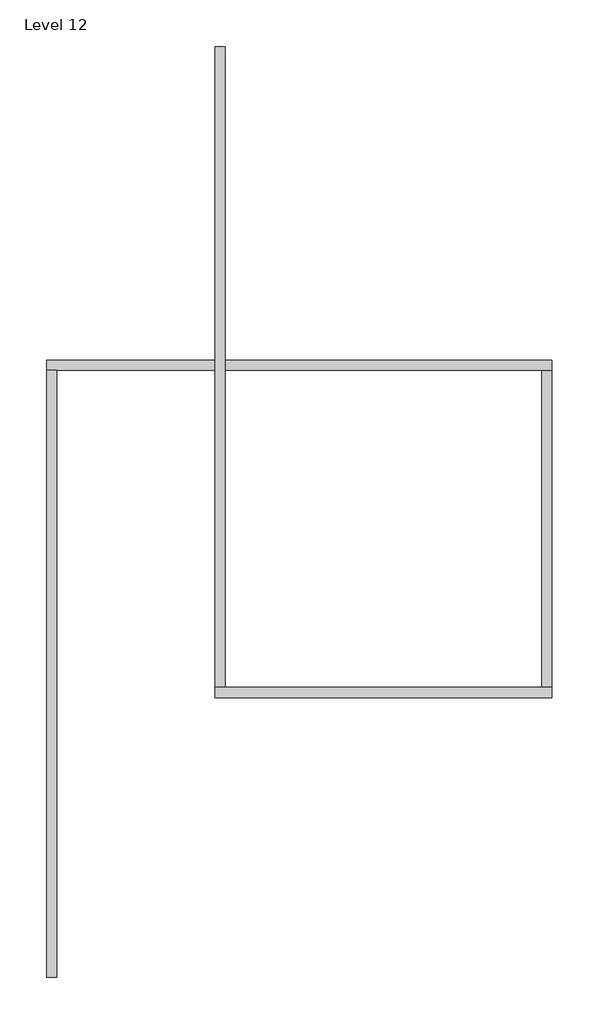
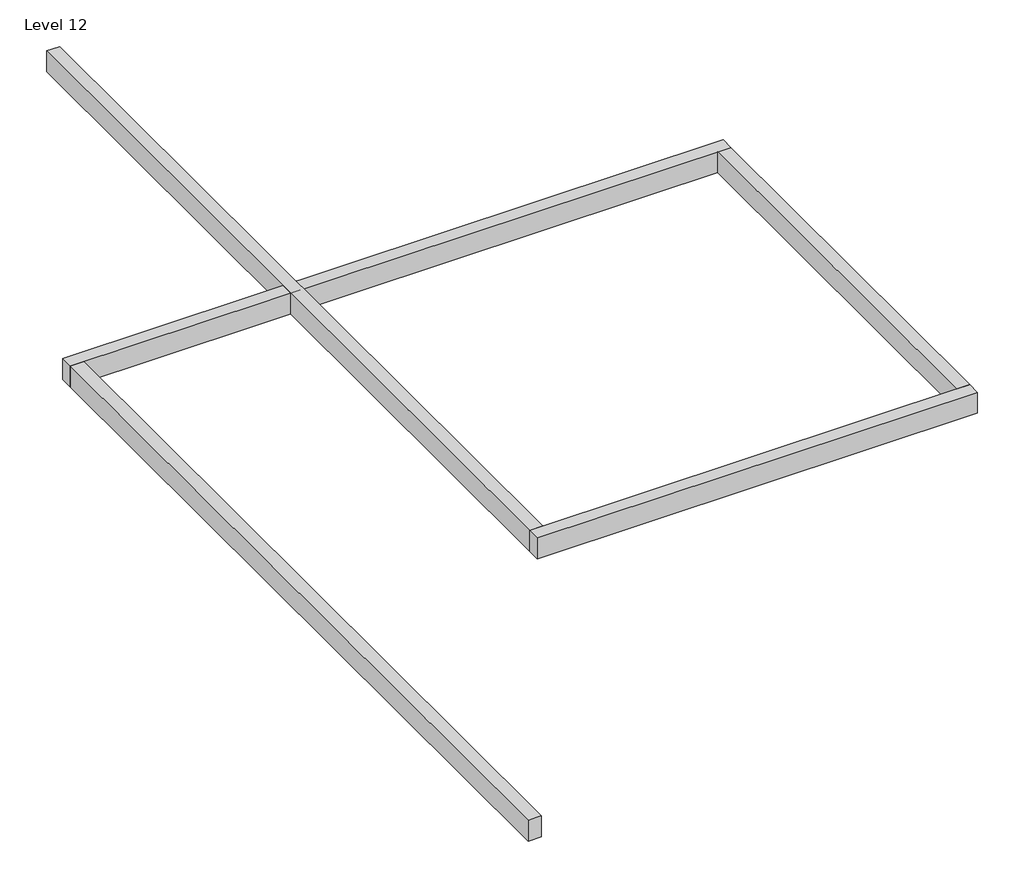
# One storey: 5 proxies.
"""IFC4 building model written with IfcOpenShell, lengths in millimetres."""

import ifcopenshell
import ifcopenshell.guid

model = None  # the IFC model being written
_history = None  # IfcOwnerHistory: only IFC2X3 demands one
_inside = {}  # id of a spatial element -> (the spatial element, [elements in it])
_under = {}  # id of a project, library or spatial element -> (it, [spatial elements below it])
_declared = {}  # id of a project -> (the project, [libraries it declares])
_typed = {}  # id of a type object -> (the type object, [elements of that type])
_made_of = {}  # id of a material, layer set ... -> (it, [elements and type objects made of it])


def new_model(schema):
    """Start an empty IFC model of exactly this schema.

    Asked for "IFC4X3", IfcOpenShell would pick the latest addendum, in which some entities
    have other attributes; the version numbers below select the first issue.
    IFC2X3 requires an IfcOwnerHistory on every rooted entity: one is made here for all.
    """
    global model, _history
    if schema == "IFC4X3":
        model = ifcopenshell.file(schema_version=(4, 3, 0, 0))
    else:
        model = ifcopenshell.file(schema=schema)
    _inside.clear()
    _under.clear()
    _declared.clear()
    _typed.clear()
    _made_of.clear()
    _history = None
    if model.schema == "IFC2X3":
        org = make("IfcOrganization", Name="unknown")
        user = make(
            "IfcPersonAndOrganization",
            ThePerson=make("IfcPerson", FamilyName="unknown"),
            TheOrganization=org,
        )
        app = make(
            "IfcApplication",
            ApplicationDeveloper=org,
            Version="unknown",
            ApplicationFullName="unknown",
            ApplicationIdentifier="unknown",
        )
        _history = make(
            "IfcOwnerHistory",
            OwningUser=user,
            OwningApplication=app,
            ChangeAction="ADDED",
            CreationDate=0,
        )
    return model


def make(cls, **values):
    """One entity of the class cls with the attributes given. An attribute that is None is left unset."""
    return model.create_entity(
        cls, **{name: value for name, value in values.items() if value is not None}
    )


def rooted(cls, **values):
    """An entity with a GlobalId (a new one), such as an element, a storey or a relation."""
    return make(cls, GlobalId=ifcopenshell.guid.new(), OwnerHistory=_history, **values)


def si_unit(unit_type, name, prefix=None):
    """IfcSIUnit, for example si_unit("LENGTHUNIT", "METRE", prefix="MILLI")."""
    return make("IfcSIUnit", UnitType=unit_type, Prefix=prefix, Name=name)


def assignment(units):
    """IfcUnitAssignment: the units of a project."""
    return None if units is None else make("IfcUnitAssignment", Units=units)


def point(xyz):
    """IfcCartesianPoint."""
    return None if xyz is None else make("IfcCartesianPoint", Coordinates=xyz)


def direction(xyz):
    """IfcDirection."""
    return None if xyz is None else make("IfcDirection", DirectionRatios=xyz)


def frame(location, z_axis=None, x_axis=None):
    """IfcAxis2Placement3D, a coordinate frame: its origin and axes. An axis left out is left unset."""
    return make(
        "IfcAxis2Placement3D",
        Location=point(location),
        Axis=direction(z_axis),
        RefDirection=direction(x_axis),
    )


def origin():
    """The frame at (0, 0, 0) with its axes left unset."""
    return frame((0.0, 0.0, 0.0))


def origin_with_axes():
    """The frame at (0, 0, 0) with the z axis (0, 0, 1) and the x axis (1, 0, 0) written out."""
    return frame((0.0, 0.0, 0.0), z_axis=(0.0, 0.0, 1.0), x_axis=(1.0, 0.0, 0.0))


def place(relative_to, where):
    """IfcLocalPlacement: puts the frame where relative to a parent placement (None: the world)."""
    return make(
        "IfcLocalPlacement", PlacementRelTo=relative_to, RelativePlacement=where
    )


def context(
    kind, dimensions, precision=None, world=None, true_north=None, identifier=None
):
    """IfcGeometricRepresentationContext, for example the 3D "Model" context."""
    return make(
        "IfcGeometricRepresentationContext",
        ContextIdentifier=identifier,
        ContextType=kind,
        CoordinateSpaceDimension=dimensions,
        Precision=precision,
        WorldCoordinateSystem=world,
        TrueNorth=true_north,
    )


def project(units=None, contexts=None):
    """IfcProject with its units and contexts."""
    return rooted(
        "IfcProject",
        Name="project",
        RepresentationContexts=contexts,
        UnitsInContext=assignment(units),
    )


def spatial(cls, under=None, at=None, **own):
    """A site, building, storey or space (cls), placed at a placement, below another one or the project."""
    s = rooted(cls, ObjectPlacement=at, **own)
    if under is not None:
        _under.setdefault(under.id(), (under, []))[1].append(s)
    return s


def polyline(points):
    """IfcPolyline through the points."""
    return make("IfcPolyline", Points=[point(p) for p in points])


def outline(outer, holes=None, kind="AREA"):
    """IfcArbitraryClosedProfileDef: a profile drawn as a closed curve; with holes, ...WithVoids."""
    if holes is None:
        return make("IfcArbitraryClosedProfileDef", ProfileType=kind, OuterCurve=outer)
    return make(
        "IfcArbitraryProfileDefWithVoids",
        ProfileType=kind,
        OuterCurve=outer,
        InnerCurves=holes,
    )


def extrude(swept, where, along, depth):
    """IfcExtrudedAreaSolid: the profile swept, set in the frame where, extruded along a direction by depth."""
    return make(
        "IfcExtrudedAreaSolid",
        SweptArea=swept,
        Position=where,
        ExtrudedDirection=direction(along),
        Depth=depth,
    )


def shape(context_of_items, identifier, shape_type, items):
    """IfcShapeRepresentation: the items that make up one representation, for example the "Body"."""
    return make(
        "IfcShapeRepresentation",
        ContextOfItems=context_of_items,
        RepresentationIdentifier=identifier,
        RepresentationType=shape_type,
        Items=items,
    )


def source(mapping_origin, context_of_items, identifier, shape_type, items):
    """IfcRepresentationMap: a shape defined once, which mapped items show again and again."""
    return make(
        "IfcRepresentationMap",
        MappingOrigin=mapping_origin,
        MappedRepresentation=shape(context_of_items, identifier, shape_type, items),
    )


def transform(
    local_origin,
    x_axis=None,
    y_axis=None,
    z_axis=None,
    scale=None,
    scale2=None,
    scale3=None,
    uniform=True,
):
    """IfcCartesianTransformationOperator3D, or its non-uniform kind. x_axis, y_axis, z_axis: its Axis1, 2, 3."""
    if uniform:
        return make(
            "IfcCartesianTransformationOperator3D",
            Axis1=direction(x_axis),
            Axis2=direction(y_axis),
            LocalOrigin=point(local_origin),
            Scale=scale,
            Axis3=direction(z_axis),
        )
    return make(
        "IfcCartesianTransformationOperator3DnonUniform",
        Axis1=direction(x_axis),
        Axis2=direction(y_axis),
        LocalOrigin=point(local_origin),
        Scale=scale,
        Axis3=direction(z_axis),
        Scale2=scale2,
        Scale3=scale3,
    )


def mapped(mapping_source, mapping_target):
    """IfcMappedItem: shows the shape of a source again, moved by a transform."""
    return make(
        "IfcMappedItem", MappingSource=mapping_source, MappingTarget=mapping_target
    )


def made_of(thing, what):
    """Note that an element or type object is made of a material, layer set ...; save() writes the relation."""
    if what is not None:
        _made_of.setdefault(what.id(), (what, []))[1].append(thing)
    return thing


def element(
    cls,
    number,
    at=None,
    inside=None,
    cuts=None,
    type_object=None,
    material=None,
    context=None,
    identifier="Body",
    shape_type=None,
    held_by="IfcProductDefinitionShape",
    body=None,
    shapes=None,
    **own,
):
    """One element of the class cls, such as IfcWall. Its Tag is "e" and its number.

    at: its placement. inside: the storey or other place that contains it. cuts: it is an
    opening in that element (IfcRelVoidsElement). A single representation is given by context,
    identifier, shape_type and body (its items); several are given by shapes. held_by: the class
    of the entity that holds the representations. save() writes the other relations.
    """
    e = rooted(cls, Tag="e%d" % number, ObjectPlacement=at, **own)
    if body is not None:
        shapes = [shape(context, identifier, shape_type, body)]
    if shapes is not None:
        e.Representation = make(held_by, Representations=shapes)
    if inside is not None:
        _inside.setdefault(inside.id(), (inside, []))[1].append(e)
    if cuts is not None:
        rooted(
            "IfcRelVoidsElement", RelatingBuildingElement=cuts, RelatedOpeningElement=e
        )
    if type_object is not None:
        _typed.setdefault(type_object.id(), (type_object, []))[1].append(e)
    return made_of(e, material)


def aggregate(whole, parts):
    """IfcRelAggregates: a whole, such as a stair, and the parts it consists of."""
    return rooted("IfcRelAggregates", RelatingObject=whole, RelatedObjects=parts)


def save(model, path):
    """Write the relations noted so far, then the file.

    IfcRelAggregates (storeys below a building ...), IfcRelContainedInSpatialStructure (elements
    in a storey), IfcRelDefinesByType, IfcRelAssociatesMaterial and IfcRelDeclares: one each for
    every whole, place, type object, material and project.
    """
    for whole, parts in _under.values():
        aggregate(whole, parts)
    for where, things in _inside.values():
        rooted(
            "IfcRelContainedInSpatialStructure",
            RelatedElements=things,
            RelatingStructure=where,
        )
    for kind, things in _typed.values():
        rooted("IfcRelDefinesByType", RelatedObjects=things, RelatingType=kind)
    for what, things in _made_of.values():
        rooted("IfcRelAssociatesMaterial", RelatedObjects=things, RelatingMaterial=what)
    for by, libraries in _declared.values():
        rooted("IfcRelDeclares", RelatingContext=by, RelatedDefinitions=libraries)
    model.write(path)


def generic_models_429ffc5b(model_context):
    return source(origin(), model_context, "Body", "SweptSolid", [
        extrude(outline(polyline([(10000.0, 300.0), (10000.0, 0.0), (0.0, 0.0), (0.0, 300.0), (10000.0, 300.0)])), origin_with_axes(), (0.0, 0.0, 1.0), 500.0),
    ])


def generic_models_70cd745c(model_context):
    return source(origin(), model_context, "Body", "SweptSolid", [
        extrude(outline(polyline([(15000.0, 300.0), (15000.0, 0.0), (0.0, 0.0), (0.0, 300.0), (15000.0, 300.0)])), origin_with_axes(), (0.0, 0.0, 1.0), 500.0),
    ])


def generic_models_f068a827(model_context):
    return source(origin(), model_context, "Body", "SweptSolid", [
        extrude(outline(polyline([(9400.0, 300.0), (9400.0, 0.0), (0.0, 0.0), (0.0, 300.0), (9400.0, 300.0)])), origin_with_axes(), (0.0, 0.0, 1.0), 500.0),
    ])


def generic_models_c72cf57f(model_context):
    return source(origin(), model_context, "Body", "SweptSolid", [
        extrude(outline(polyline([(18000.0, 300.0), (18000.0, 0.0), (0.0, 0.0), (0.0, 300.0), (18000.0, 300.0)])), origin_with_axes(), (0.0, 0.0, 1.0), 500.0),
    ])


def generic_models_de622fbb(model_context):
    return source(origin(), model_context, "Body", "SweptSolid", [
        extrude(outline(polyline([(19000.0, 300.0), (19000.0, 0.0), (0.0, 0.0), (0.0, 300.0), (19000.0, 300.0)])), origin_with_axes(), (0.0, 0.0, 1.0), 500.0),
    ])


model = new_model("IFC4")

# Units and contexts
model_context = context("Model", 3, world=origin())
ifc_project = project(units=[si_unit("LENGTHUNIT", "METRE", prefix="MILLI")], contexts=[model_context])

# Site, building, storey
site = spatial("IfcSite", under=ifc_project)
building = spatial("IfcBuilding", under=site)
storey = spatial("IfcBuildingStorey", under=building, Name="Level 12", Elevation=-5000.0)

# Proxies
placement = place(None, origin())
generic_models_shape = generic_models_429ffc5b(model_context)
element("IfcBuildingElementProxy", 1, Name="Generic Models", at=placement, inside=storey, context=model_context, shape_type="MappedRepresentation", body=[
    mapped(generic_models_shape, transform((6814.0982075, 1056.7007663, -5000.0), x_axis=(1.0, 0.0, 0.0), y_axis=(0.0, 1.0, 0.0), z_axis=(0.0, 0.0, 1.0))),
])
generic_models_2_shape = generic_models_70cd745c(model_context)
element("IfcBuildingElementProxy", 2, Name="Generic Models", at=placement, inside=storey, context=model_context, shape_type="MappedRepresentation", body=[
    mapped(generic_models_2_shape, transform((1814.0982075, 10756.7007663, -5000.0), x_axis=(1.0, 0.0, 0.0), y_axis=(0.0, 1.0, 0.0), z_axis=(0.0, 0.0, 1.0))),
])
generic_models_3_shape = generic_models_f068a827(model_context)
element("IfcBuildingElementProxy", 3, Name="Generic Models", at=placement, inside=storey, context=model_context, shape_type="MappedRepresentation", body=[
    mapped(generic_models_3_shape, transform((16814.0982075, 1356.7007663, -5000.0), x_axis=(0.0, 1.0000000000000002, 0.0), y_axis=(-1.0000000000000002, 0.0, 0.0), z_axis=(0.0, 0.0, 1.0))),
])
generic_models_4_shape = generic_models_c72cf57f(model_context)
element("IfcBuildingElementProxy", 4, Name="Generic Models", at=placement, inside=storey, context=model_context, shape_type="MappedRepresentation", body=[
    mapped(generic_models_4_shape, transform((2114.0982075, -7243.2992337, -5000.0), x_axis=(0.0, 1.0000000000000002, 0.0), y_axis=(-1.0000000000000002, 0.0, 0.0), z_axis=(0.0, 0.0, 1.0))),
])
generic_models_5_shape = generic_models_de622fbb(model_context)
element("IfcBuildingElementProxy", 5, Name="Generic Models", at=placement, inside=storey, context=model_context, shape_type="MappedRepresentation", body=[
    mapped(generic_models_5_shape, transform((7114.0982075, 1356.7007663, -5000.0), x_axis=(0.0, 1.0000000000000002, 0.0), y_axis=(-1.0000000000000002, 0.0, 0.0), z_axis=(0.0, 0.0, 1.0))),
])

save(model, "model.ifc")
